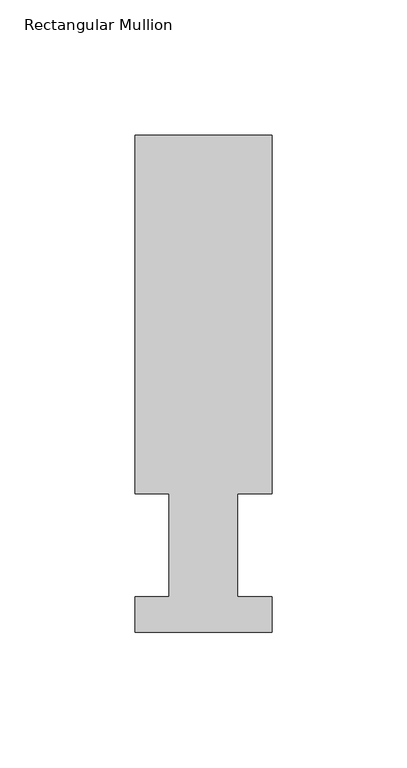
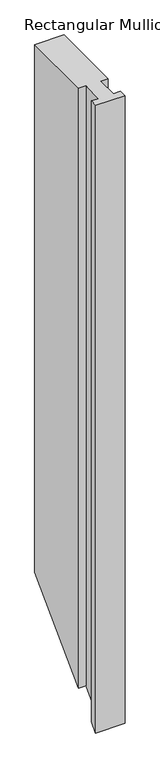
"""IFC4 building model written with IfcOpenShell, lengths in millimetres: member geometry, Rectangular Mullion."""

from ifc_helpers import new_model, si_unit, origin, place, context, project, spatial, faceted_brep, source, transform, mapped, element, save


def rectangular_mullion_3fd3bafc(model_context):
    return source(origin(), model_context, "Body", "Brep", [
        faceted_brep([(-50.8, 13.1960937, 0.0), (-50.8, 0.0134937, 0.0), (0.0, 0.0134937, 0.0), (0.0, 13.1960937, 0.0), (-12.7, 13.1960937, 0.0), (-12.7, 51.2960937, 0.0), (0.0, 51.2960938, 0.0), (0.0, 184.2396937, 0.0), (-50.8, 184.2396937, 0.0), (-50.8, 51.2960937, 0.0), (-38.1, 51.2960938, 0.0), (-38.1, 13.1960937, 0.0), (-50.8, 13.1960937, -1142.5174), (-50.8, 0.0134937, -1155.7), (0.0, 0.0134937, -1155.7), (0.0, 13.1960937, -1142.5174), (-12.7, 13.1960937, -1142.5174), (-12.7, 51.2960937, -1104.4174), (0.0, 51.2960937, -1104.4174), (0.0, 184.2396937, -971.4738), (-50.8, 184.2396937, -971.4738), (-50.8, 51.2960937, -1104.4174), (-38.1, 51.2960937, -1104.4174), (-38.1, 13.1960937, -1142.5174)], [[[0, 1, 2, 3, 4, 5, 6, 7, 8, 9, 10, 11]], [[1, 0, 12, 13]], [[2, 1, 13, 14]], [[3, 2, 14, 15]], [[4, 3, 15, 16]], [[5, 4, 16, 17]], [[6, 5, 17, 18]], [[7, 6, 18, 19]], [[8, 7, 19, 20]], [[9, 8, 20, 21]], [[10, 9, 21, 22]], [[11, 10, 22, 23]], [[0, 11, 23, 12]], [[12, 23, 22, 21, 20, 19, 18, 17, 16, 15, 14, 13]]]),
    ])


if __name__ == "__main__":
    model = new_model("IFC4")
    model_context = context("Model", 3, world=origin())
    ifc_project = project(units=[si_unit("LENGTHUNIT", "METRE", prefix="MILLI")], contexts=[model_context])
    site = spatial("IfcSite", under=ifc_project)
    building = spatial("IfcBuilding", under=site)
    placement = place(None, origin())
    rectangular_mullion_shape = rectangular_mullion_3fd3bafc(model_context)
    element("IfcMember", 1, ObjectType="Rectangular Mullion", at=placement, inside=building, context=model_context, shape_type="MappedRepresentation", body=[
        mapped(rectangular_mullion_shape, transform((0.0, 0.0, 0.0), x_axis=(1.0, 0.0, 0.0), y_axis=(0.0, 1.0, 0.0), z_axis=(0.0, 0.0, 1.0))),
    ])
    save(model, "model.ifc")
